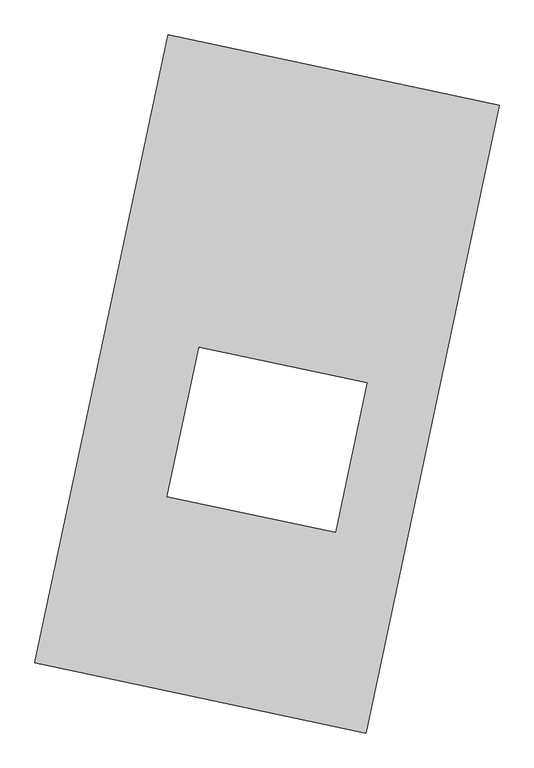
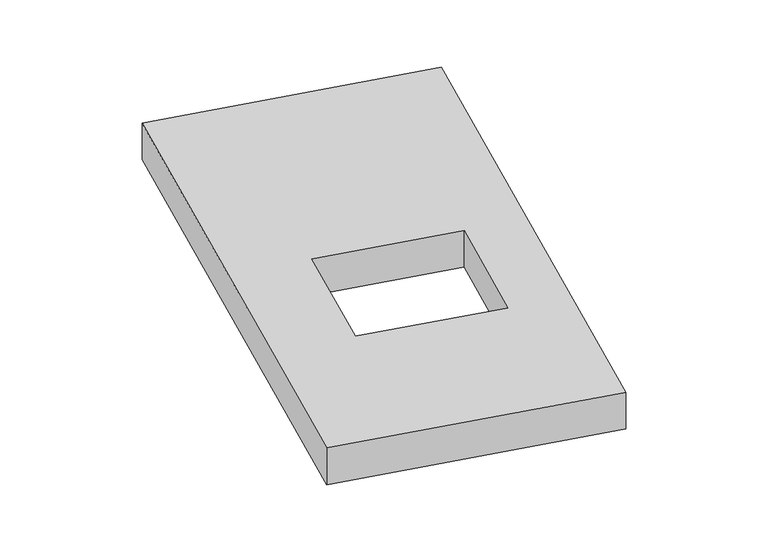
"""IFC4 building model written with IfcOpenShell, lengths in millimetres: proxy geometry."""

from ifc_helpers import new_model, si_unit, origin, origin_with_axes, place, context, project, spatial, polyline, outline, extrude, source, transform, mapped, element, save


def generic_models_c24417c2(model_context):
    return source(origin(), model_context, "Body", "SweptSolid", [
        extrude(outline(polyline([(-617.3692021, 2175.5580432), (1447.7508745, 1737.3010494), (617.3692021, -2175.5580432), (-1447.7508745, -1737.3010494), (-617.3692021, 2175.5580432)]), holes=[polyline([(624.1415917, 7.7035051), (-424.7879576, 230.3059174), (-622.5164197, -701.414563), (426.4131296, -924.0169754), (624.1415917, 7.7035051)])]), origin_with_axes(), (0.0, 0.0, 1.0), 300.0),
    ])


if __name__ == "__main__":
    model = new_model("IFC4")
    model_context = context("Model", 3, world=origin())
    ifc_project = project(units=[si_unit("LENGTHUNIT", "METRE", prefix="MILLI")], contexts=[model_context])
    site = spatial("IfcSite", under=ifc_project)
    building = spatial("IfcBuilding", under=site)
    placement = place(None, origin())
    generic_models_shape = generic_models_c24417c2(model_context)
    element("IfcBuildingElementProxy", 1, Name="Generic Models", at=placement, inside=building, context=model_context, shape_type="MappedRepresentation", body=[
        mapped(generic_models_shape, transform((0.0, 0.0, 0.0), x_axis=(1.0, 0.0, 0.0), y_axis=(0.0, 1.0, 0.0), z_axis=(0.0, 0.0, 1.0))),
    ])
    save(model, "model.ifc")
